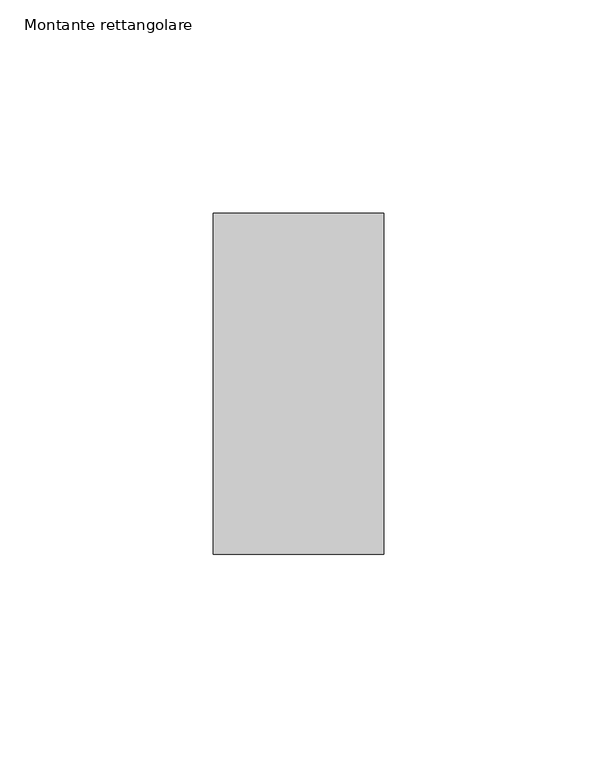
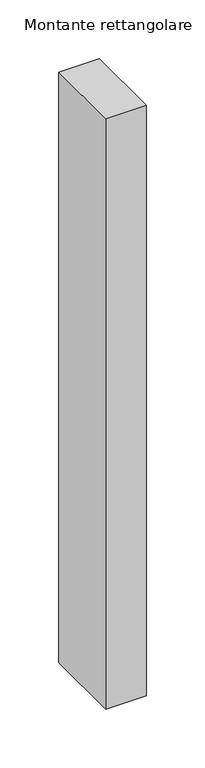
"""IFC4 building model written with IfcOpenShell, lengths in millimetres: member geometry, Montante rettangolare."""

from ifc_helpers import new_model, si_unit, frame, origin, place, context, project, spatial, polyline, outline, extrude, source, transform, mapped, element, save


def montante_rettangolare_204955ff(model_context):
    return source(origin(), model_context, "Body", "SweptSolid", [
        extrude(outline(polyline([(20.0, 60.0), (20.0, -20.0), (-20.0, -20.0), (-20.0, 60.0), (20.0, 60.0)])), frame((0.0, 0.0, -614.8361775), z_axis=(0.0, 0.0, 1.0), x_axis=(1.0, 0.0, 0.0)), (0.0, 0.0, 1.0), 614.8361775),
    ])


if __name__ == "__main__":
    model = new_model("IFC4")
    model_context = context("Model", 3, world=origin())
    ifc_project = project(units=[si_unit("LENGTHUNIT", "METRE", prefix="MILLI")], contexts=[model_context])
    site = spatial("IfcSite", under=ifc_project)
    building = spatial("IfcBuilding", under=site)
    placement = place(None, origin())
    montante_rettangolare_shape = montante_rettangolare_204955ff(model_context)
    element("IfcMember", 1, ObjectType="Montante rettangolare", at=placement, inside=building, context=model_context, shape_type="MappedRepresentation", body=[
        mapped(montante_rettangolare_shape, transform((0.0, 0.0, 0.0), x_axis=(1.0, 0.0, 0.0), y_axis=(0.0, 1.0, 0.0), z_axis=(0.0, 0.0, 1.0))),
    ])
    save(model, "model.ifc")
